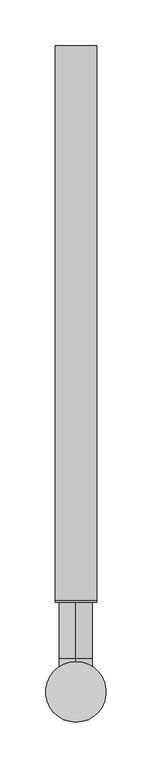
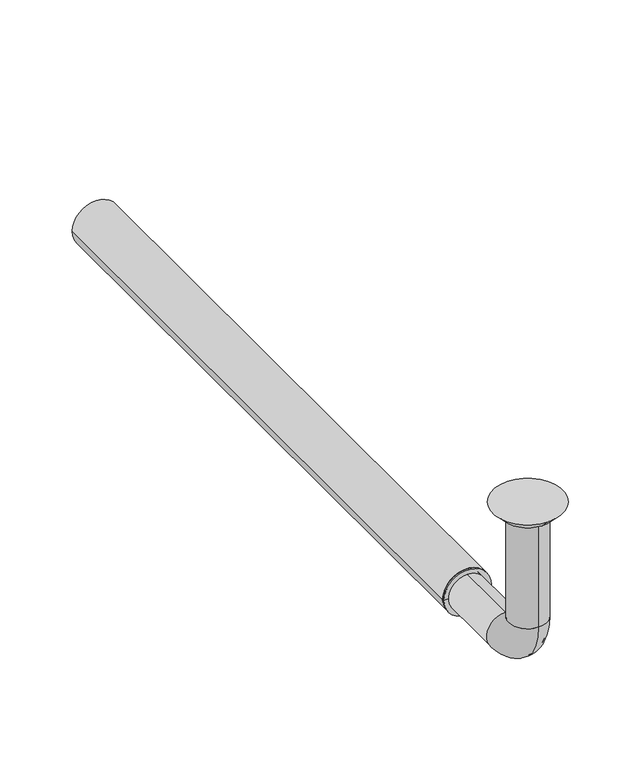
"""IFC4 building model written with IfcOpenShell, lengths in millimetres: beam geometry."""

from ifc_helpers import new_model, si_unit, point, frame, frame_2d, origin, place, context, project, spatial, polyline, circle_curve, ellipse_curve, trimmed, segment, composite_curve, outline, extrude, source, transform, mapped, element, save
from ifc_brep_helpers import plane_surface, cylinder_surface, revolved_surface, advanced_brep


def beam_bf57e663(model_context):
    return source(origin(), model_context, "Body", "SolidModel", [
        extrude(outline(composite_curve([segment(trimmed(circle_curve(frame_2d((-150.0, 0.0)), 22.5), [point((-150.0, 22.5))], [point((-150.0, -22.5))], False, "CARTESIAN"), True, "CONTINUOUS"), segment(trimmed(circle_curve(frame_2d((-150.0, 0.0)), 22.5), [point((-150.0, -22.5))], [point((-150.0, 22.5))], False, "CARTESIAN"), True, "CONTINUOUS")], self_intersect=False), holes=[composite_curve([segment(trimmed(circle_curve(frame_2d((-150.0, 0.0)), 19.5), [point((-150.0, 19.5))], [point((-150.0, -19.5))], True, "CARTESIAN"), True, "CONTINUOUS"), segment(trimmed(circle_curve(frame_2d((-150.0, 0.0)), 19.5), [point((-150.0, -19.5))], [point((-150.0, 19.5))], True, "CARTESIAN"), True, "CONTINUOUS")], self_intersect=False)]), frame((0.0, 100.0, 0.0), z_axis=(0.0, 1.0, 0.0), x_axis=(0.0, 0.0, 1.0)), (0.0, 0.0, 1.0), 605.0),
        advanced_brep(
        [(0.0, -18.0, -10.0), (0.0, 18.0, -10.0), (0.0, -17.0, -10.0), (0.0, 17.0, -10.0), (0.0, -18.0, -114.0), (0.0, 18.0, -114.0), (0.0, -17.0, -114.0), (0.0, 17.0, -114.0), (0.0, 36.0, -132.0), (0.0, 36.0, -168.0), (0.0, 36.0, -133.0), (0.0, 36.0, -167.0), (0.0, 123.0, -168.0), (0.0, 123.0, -132.0), (0.0, 123.0, -167.0), (0.0, 123.0, -133.0)],
        [
            (0, 1, circle_curve(frame((0.0, 0.0, -10.0), z_axis=(0.0, 0.0, 1.0), x_axis=(0.0, 1.0, 0.0)), 18.0)),
            (1, 0, circle_curve(frame((0.0, 0.0, -10.0), z_axis=(0.0, 0.0, 1.0), x_axis=(0.0, 1.0, 0.0)), 18.0)),
            (2, 3, circle_curve(frame((0.0, 0.0, -10.0), z_axis=(0.0, 0.0, -1.0), x_axis=(0.0, 1.0, 0.0)), 17.0)),
            (3, 2, circle_curve(frame((0.0, 0.0, -10.0), z_axis=(0.0, 0.0, -1.0), x_axis=(0.0, 1.0, 0.0)), 17.0)),
            (0, 4),
            (4, 5, circle_curve(frame((0.0, 0.0, -114.0), z_axis=(0.0, 0.0, 1.0), x_axis=(0.0, 1.0, 0.0)), 18.0)),
            (5, 1),
            (5, 4, circle_curve(frame((0.0, 0.0, -114.0), z_axis=(0.0, 0.0, 1.0), x_axis=(0.0, 1.0, 0.0)), 18.0)),
            (2, 6),
            (6, 7, circle_curve(frame((0.0, 0.0, -114.0), z_axis=(0.0, 0.0, -1.0), x_axis=(0.0, 1.0, 0.0)), 17.0)),
            (7, 3),
            (7, 6, circle_curve(frame((0.0, 0.0, -114.0), z_axis=(0.0, 0.0, -1.0), x_axis=(0.0, 1.0, 0.0)), 17.0)),
            (8, 5, circle_curve(frame((0.0, 36.0, -114.0), z_axis=(-1.0, 0.0, 0.0), x_axis=(0.0, -1.0, 0.0)), 18.0)),
            (4, 9, circle_curve(frame((0.0, 36.0, -114.0), z_axis=(1.0, 0.0, 0.0), x_axis=(0.0, -1.0, 0.0)), 54.0)),
            (9, 8, circle_curve(frame((0.0, 36.0, -150.0), z_axis=(0.0, -1.0, 0.0), x_axis=(0.0, 0.0, 1.0)), 18.0)),
            (8, 9, circle_curve(frame((0.0, 36.0, -150.0), z_axis=(0.0, -1.0, 0.0), x_axis=(0.0, 0.0, 1.0)), 18.0)),
            (10, 7, circle_curve(frame((0.0, 36.0, -114.0), z_axis=(-1.0, 0.0, 0.0), x_axis=(0.0, -1.0, 0.0)), 19.0)),
            (6, 11, circle_curve(frame((0.0, 36.0, -114.0), z_axis=(1.0, 0.0, 0.0), x_axis=(0.0, -1.0, 0.0)), 53.0)),
            (11, 10, circle_curve(frame((0.0, 36.0, -150.0), z_axis=(0.0, 1.0, 0.0), x_axis=(0.0, 0.0, 1.0)), 17.0)),
            (10, 11, circle_curve(frame((0.0, 36.0, -150.0), z_axis=(0.0, 1.0, 0.0), x_axis=(0.0, 0.0, 1.0)), 17.0)),
            (12, 13, circle_curve(frame((0.0, 123.0, -150.0), z_axis=(0.0, 1.0, 0.0), x_axis=(0.0, 0.0, 1.0)), 18.0)),
            (13, 12, circle_curve(frame((0.0, 123.0, -150.0), z_axis=(0.0, 1.0, 0.0), x_axis=(0.0, 0.0, 1.0)), 18.0)),
            (14, 15, circle_curve(frame((0.0, 123.0, -150.0), z_axis=(0.0, -1.0, 0.0), x_axis=(0.0, 0.0, 1.0)), 17.0)),
            (15, 14, circle_curve(frame((0.0, 123.0, -150.0), z_axis=(0.0, -1.0, 0.0), x_axis=(0.0, 0.0, 1.0)), 17.0)),
            (9, 12),
            (13, 8),
            (11, 14),
            (15, 10),
        ],
        [
            plane_surface(frame((0.0, 0.0, -10.0), z_axis=(0.0, 0.0, 1.0), x_axis=(1.0, 0.0, 0.0))),
            cylinder_surface(frame((0.0, 0.0, -10.0), z_axis=(0.0, 0.0, 1.0), x_axis=(0.0, 1.0, 0.0)), 18.0),
            revolved_surface(polyline([(0.0, 17.0, -114.0), (0.0, 17.0, -10.0)]), (0.0, 0.0, -10.0), (0.0, 0.0, -1.0)),
            revolved_surface(trimmed(ellipse_curve(frame((0.0, 0.0, -114.0), z_axis=(0.0, 0.0, 1.0), x_axis=(0.0, 1.0, 0.0)), 18.0, 18.0), [point((0.0, -18.0, -114.0))], [point((0.0, 18.0, -114.0))], True, "CARTESIAN"), (0.0, 36.0, -114.0), (1.0, 0.0, 0.0)),
            revolved_surface(trimmed(ellipse_curve(frame((0.0, 0.0, -114.0), z_axis=(0.0, 0.0, 1.0), x_axis=(0.0, 1.0, 0.0)), 18.0, 18.0), [point((0.0, 18.0, -114.0))], [point((0.0, -18.0, -114.0))], True, "CARTESIAN"), (0.0, 36.0, -114.0), (1.0, 0.0, 0.0)),
            revolved_surface(trimmed(ellipse_curve(frame((0.0, 0.0, -114.0), z_axis=(0.0, 0.0, -1.0), x_axis=(0.0, 1.0, 0.0)), 17.0, 17.0), [point((0.0, -17.0, -114.0))], [point((0.0, 17.0, -114.0))], True, "CARTESIAN"), (0.0, 36.0, -114.0), (1.0, 0.0, 0.0)),
            revolved_surface(trimmed(ellipse_curve(frame((0.0, 0.0, -114.0), z_axis=(0.0, 0.0, -1.0), x_axis=(0.0, 1.0, 0.0)), 17.0, 17.0), [point((0.0, 17.0, -114.0))], [point((0.0, -17.0, -114.0))], True, "CARTESIAN"), (0.0, 36.0, -114.0), (1.0, 0.0, 0.0)),
            plane_surface(frame((0.0, 123.0, -150.0), z_axis=(0.0, 1.0, 0.0), x_axis=(1.0, 0.0, 0.0))),
            cylinder_surface(frame((0.0, 36.0, -150.0), z_axis=(0.0, -1.0, 0.0), x_axis=(0.0, 0.0, 1.0)), 18.0),
            revolved_surface(polyline([(0.0, 123.0, -133.0), (0.0, 36.0, -133.0)]), (0.0, 36.0, -150.0), (0.0, 1.0, 0.0)),
        ],
        [
            (0, [[1, 2], [3, 4]]),
            (1, [[-1, 5, 6, 7]]),
            (1, [[-2, -7, 8, -5]]),
            (2, [[-3, 9, 10, 11]]),
            (2, [[-4, -11, 12, -9]]),
            (3, [[13, -6, 14, 15]]),
            (4, [[-14, -8, -13, 16]]),
            (5, [[17, -10, 18, 19]]),
            (6, [[-18, -12, -17, 20]]),
            (7, [[21, 22], [23, 24]]),
            (8, [[-15, 25, -22, 26]]),
            (8, [[-16, -26, -21, -25]]),
            (9, [[-19, 27, -24, 28]]),
            (9, [[-20, -28, -23, -27]]),
        ],
    ),
        advanced_brep(
        [(0.0, 23.0, -10.0), (0.0, -23.0, -10.0), (0.0, 33.0, 0.0), (0.0, -33.0, 0.0)],
        [
            (0, 1, circle_curve(frame((0.0, 0.0, -10.0), z_axis=(0.0, 0.0, -1.0), x_axis=(0.0, 1.0, 0.0)), 23.0)),
            (1, 0, circle_curve(frame((0.0, 0.0, -10.0), z_axis=(0.0, 0.0, -1.0), x_axis=(0.0, -1.0, 0.0)), 23.0)),
            (2, 3, circle_curve(frame((0.0, 0.0, 0.0), z_axis=(0.0, 0.0, 1.0), x_axis=(0.0, -1.0, 0.0)), 33.0)),
            (3, 2, circle_curve(frame((0.0, 0.0, 0.0), z_axis=(0.0, 0.0, 1.0), x_axis=(0.0, 1.0, 0.0)), 33.0)),
            (3, 1),
            (0, 2),
        ],
        [
            plane_surface(frame((0.0, 0.0, -10.0), z_axis=(0.0, 0.0, -1.0), x_axis=(-1.0, 0.0, 0.0))),
            plane_surface(frame((0.0, 0.0, 0.0), z_axis=(0.0, 0.0, 1.0), x_axis=(-1.0, 0.0, 0.0))),
            revolved_surface(polyline([(0.0, 23.0, -10.0), (0.0, 33.0, 0.0)]), (0.0, 0.0, -33.0), (0.0, 0.0, 1.0)),
            revolved_surface(polyline([(0.0, -23.0, -10.0), (0.0, -33.0, 0.0)]), (0.0, 0.0, -33.0), (0.0, 0.0, 1.0)),
        ],
        [
            (0, [[1, 2]]),
            (1, [[3, 4]]),
            (2, [[-4, 5, -1, 6]]),
            (3, [[-3, -6, -2, -5]]),
        ],
    ),
        advanced_brep(
        [(19.5, 100.0, -150.0), (-19.5, 100.0, -150.0), (-19.5, 123.0, -150.0), (19.5, 123.0, -150.0), (-18.0, 123.0, -150.0), (18.0, 123.0, -150.0), (-18.0, 98.0, -150.0), (18.0, 98.0, -150.0), (-22.5, 98.0, -150.0), (22.5, 98.0, -150.0), (-22.5, 100.0, -150.0), (22.5, 100.0, -150.0)],
        [
            (0, 1, circle_curve(frame((0.0, 100.0, -150.0), z_axis=(0.0, 1.0, 0.0), x_axis=(-1.0, 0.0, 0.0)), 19.5)),
            (1, 2),
            (2, 3, circle_curve(frame((0.0, 123.0, -150.0), z_axis=(0.0, -1.0, 0.0), x_axis=(-1.0, 0.0, 0.0)), 19.5)),
            (3, 0),
            (1, 0, circle_curve(frame((0.0, 100.0, -150.0), z_axis=(0.0, 1.0, 0.0), x_axis=(-1.0, 0.0, 0.0)), 19.5)),
            (3, 2, circle_curve(frame((0.0, 123.0, -150.0), z_axis=(0.0, -1.0, 0.0), x_axis=(-1.0, 0.0, 0.0)), 19.5)),
            (2, 4),
            (4, 5, circle_curve(frame((0.0, 123.0, -150.0), z_axis=(0.0, -1.0, 0.0), x_axis=(-1.0, 0.0, 0.0)), 18.0)),
            (5, 3),
            (5, 4, circle_curve(frame((0.0, 123.0, -150.0), z_axis=(0.0, -1.0, 0.0), x_axis=(-1.0, 0.0, 0.0)), 18.0)),
            (4, 6),
            (6, 7, circle_curve(frame((0.0, 98.0, -150.0), z_axis=(0.0, -1.0, 0.0), x_axis=(-1.0, 0.0, 0.0)), 18.0)),
            (7, 5),
            (7, 6, circle_curve(frame((0.0, 98.0, -150.0), z_axis=(0.0, -1.0, 0.0), x_axis=(-1.0, 0.0, 0.0)), 18.0)),
            (6, 8),
            (8, 9, circle_curve(frame((0.0, 98.0, -150.0), z_axis=(0.0, -1.0, 0.0), x_axis=(-1.0, 0.0, 0.0)), 22.5)),
            (9, 7),
            (9, 8, circle_curve(frame((0.0, 98.0, -150.0), z_axis=(0.0, -1.0, 0.0), x_axis=(-1.0, 0.0, 0.0)), 22.5)),
            (8, 10),
            (10, 11, circle_curve(frame((0.0, 100.0, -150.0), z_axis=(0.0, -1.0, 0.0), x_axis=(-1.0, 0.0, 0.0)), 22.5)),
            (11, 9),
            (11, 10, circle_curve(frame((0.0, 100.0, -150.0), z_axis=(0.0, -1.0, 0.0), x_axis=(-1.0, 0.0, 0.0)), 22.5)),
            (10, 1),
            (0, 11),
        ],
        [
            cylinder_surface(frame((0.0, 98.0, -150.0), z_axis=(0.0, -1.0, 0.0), x_axis=(-1.0, 0.0, 0.0)), 19.5),
            plane_surface(frame((0.0, 123.0, -150.0), z_axis=(0.0, 1.0, 0.0), x_axis=(-1.0, 0.0, 0.0))),
            revolved_surface(polyline([(-18.0, 98.0, -150.0), (-18.0, 123.0, -150.0)]), (0.0, 98.0, -150.0), (0.0, -1.0, 0.0)),
            plane_surface(frame((0.0, 98.0, -150.0), z_axis=(0.0, -1.0, 0.0), x_axis=(-1.0, 0.0, 0.0))),
            cylinder_surface(frame((0.0, 98.0, -150.0), z_axis=(0.0, -1.0, 0.0), x_axis=(-1.0, 0.0, 0.0)), 22.5),
            plane_surface(frame((0.0, 100.0, -150.0), z_axis=(0.0, 1.0, 0.0), x_axis=(-1.0, 0.0, 0.0))),
        ],
        [
            (0, [[1, 2, 3, 4]]),
            (0, [[5, -4, 6, -2]]),
            (1, [[-3, 7, 8, 9]]),
            (1, [[-6, -9, 10, -7]]),
            (2, [[-8, 11, 12, 13]]),
            (2, [[-10, -13, 14, -11]]),
            (3, [[-12, 15, 16, 17]]),
            (3, [[-14, -17, 18, -15]]),
            (4, [[-16, 19, 20, 21]]),
            (4, [[-18, -21, 22, -19]]),
            (5, [[-20, 23, -1, 24]]),
            (5, [[-22, -24, -5, -23]]),
        ],
    ),
    ])


if __name__ == "__main__":
    model = new_model("IFC4")
    model_context = context("Model", 3, world=origin())
    ifc_project = project(units=[si_unit("LENGTHUNIT", "METRE", prefix="MILLI")], contexts=[model_context])
    site = spatial("IfcSite", under=ifc_project)
    building = spatial("IfcBuilding", under=site)
    placement = place(None, origin())
    beam_shape = beam_bf57e663(model_context)
    element("IfcBeam", 1, at=placement, inside=building, context=model_context, shape_type="MappedRepresentation", body=[
        mapped(beam_shape, transform((0.0, 0.0, 0.0), x_axis=(1.0, 0.0, 0.0), y_axis=(0.0, 1.0, 0.0), z_axis=(0.0, 0.0, 1.0))),
    ])
    save(model, "model.ifc")
